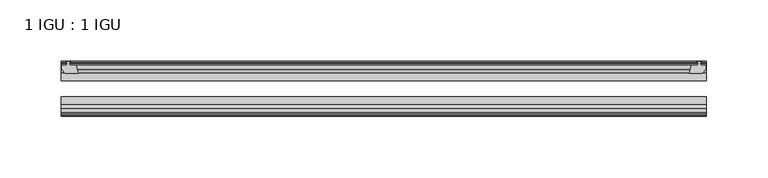
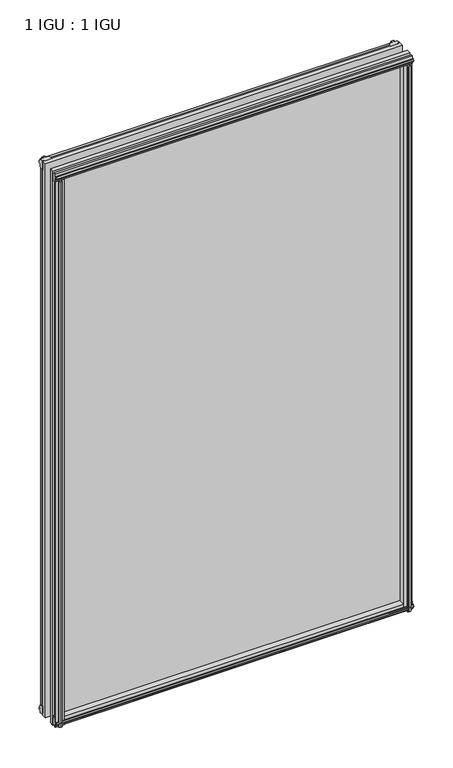
"""IFC4 building model written with IfcOpenShell, lengths in millimetres: plate geometry, 1 IGU : 1 IGU."""

from ifc_helpers import new_model, si_unit, frame, origin, place, context, project, spatial, polyline, outline, extrude, source, transform, mapped, element, save


def plate_1_igu_1_igu_53023c76(model_context):
    return source(origin(), model_context, "Body", "SweptSolid", [
        extrude(outline(polyline([(255.5181709, -10.4746158), (257.6957, -9.7670938), (259.8732291, -10.4746158), (259.8732291, -11.27583), (258.4577, -10.8158968), (258.8387, -13.1960938), (263.2837, -13.1960938), (263.2837, -16.1424938), (260.4493578, -19.5460938), (249.6279819, -19.5460938), (251.3457, -13.1960938), (256.5527, -13.1960938), (256.9337, -10.8158968), (255.5181709, -11.27583), (255.5181709, -10.4746158)])), frame((0.0, 0.0, -12.4587), z_axis=(0.0, 0.0, 1.0), x_axis=(1.0, 0.0, 0.0)), (0.0, 0.0, 1.0), 863.1174),
        extrude(outline(polyline([(-257.6957, -9.7670937), (-255.5181709, -10.4746158), (-255.5181709, -11.27583), (-256.9337, -10.8158968), (-256.5527, -13.1960937), (-251.3457, -13.1960937), (-249.6279819, -19.5460937), (-260.4493578, -19.5460937), (-263.2837, -16.1424937), (-263.2837, -13.1960937), (-258.8387, -13.1960937), (-258.4577, -10.8158968), (-259.8732291, -11.27583), (-259.8732291, -10.4746158), (-257.6957, -9.7670937)])), frame((0.0, 0.0, -12.4587), z_axis=(0.0, 0.0, 1.0), x_axis=(1.0, 0.0, 0.0)), (0.0, 0.0, 1.0), 863.1174),
        extrude(outline(polyline([(249.1105839, -44.9460938), (259.9319598, -44.9460938), (262.766302, -48.3496938), (262.766302, -51.2960938), (258.321302, -51.2960938), (257.940302, -53.6762907), (259.355831, -53.2163575), (259.355831, -54.0175717), (257.178302, -54.7250938), (255.0007729, -54.0175717), (255.0007729, -53.2163575), (256.416302, -53.6762907), (256.035302, -51.2960938), (250.828302, -51.2960938), (249.1105839, -44.9460938)])), frame((0.0, 0.0, -12.4587), z_axis=(0.0, 0.0, 1.0), x_axis=(1.0, 0.0, 0.0)), (0.0, 0.0, 1.0), 850.4174),
        extrude(outline(polyline([(-249.1072819, -44.9460937), (-250.825, -51.2960937), (-256.032, -51.2960937), (-256.413, -53.6762907), (-254.9974709, -53.2163575), (-254.9974709, -54.0175717), (-257.175, -54.7250937), (-259.3525291, -54.0175717), (-259.3525291, -53.2163575), (-257.937, -53.6762907), (-258.318, -51.2960937), (-262.763, -51.2960937), (-262.763, -48.3496937), (-259.9286578, -44.9460937), (-249.1072819, -44.9460937)])), frame((0.0, 0.0, -12.4587), z_axis=(0.0, 0.0, 1.0), x_axis=(1.0, 0.0, 0.0)), (0.0, 0.0, 1.0), 850.4174),
        extrude(outline(polyline([(-10.4746158, -4.6931709), (-9.7670937, -6.8707), (-10.4746158, -9.0482291), (-11.27583, -9.0482291), (-10.8158968, -7.6327), (-13.1960937, -8.0137), (-13.1960937, -12.4587), (-16.1424937, -12.4587), (-19.5460937, -9.6243578), (-19.5460937, 1.1970181), (-13.1960937, -0.5207), (-13.1960937, -5.7277), (-10.8158968, -6.1087), (-11.27583, -4.6931709), (-10.4746158, -4.6931709)])), frame((-263.525, 0.0, 0.0), z_axis=(1.0, 0.0, 0.0), x_axis=(0.0, 1.0, 0.0)), (0.0, 0.0, 1.0), 527.05),
        extrude(outline(polyline([(-44.9460937, 1.7177181), (-44.9460937, -9.1036578), (-48.3496937, -11.938), (-51.2960937, -11.938), (-51.2960937, -7.493), (-53.6762907, -7.112), (-53.2163575, -8.5275291), (-54.0175717, -8.5275291), (-54.7250937, -6.35), (-54.0175717, -4.1724709), (-53.2163575, -4.1724709), (-53.6762907, -5.588), (-51.2960937, -5.207), (-51.2960937, 0.0), (-44.9460937, 1.7177181)])), frame((-263.525, 0.0, 0.0), z_axis=(1.0, 0.0, 0.0), x_axis=(0.0, 1.0, 0.0)), (0.0, 0.0, 1.0), 527.05),
        extrude(outline(polyline([(-10.8158968, 845.8327), (-11.27583, 847.2482291), (-10.4746158, 847.2482291), (-9.7670937, 845.0707), (-10.4746158, 842.8931709), (-11.27583, 842.8931709), (-10.8158968, 844.3087), (-13.1960937, 843.9277), (-13.1960937, 838.7207), (-19.5460938, 837.0029819), (-19.5460938, 847.8243578), (-16.1424937, 850.6587), (-13.1960937, 850.6587), (-13.1960937, 846.2137), (-10.8158968, 845.8327)])), frame((-263.525, 0.0, 0.0), z_axis=(1.0, 0.0, 0.0), x_axis=(0.0, 1.0, 0.0)), (0.0, 0.0, 1.0), 527.05),
        extrude(outline(polyline([(-51.2960937, 850.138), (-48.3496937, 850.138), (-44.9460938, 847.3036578), (-44.9460938, 836.4822819), (-51.2960937, 838.2), (-51.2960937, 843.407), (-53.6762907, 843.788), (-53.2163575, 842.3724709), (-54.0175717, 842.3724709), (-54.7250937, 844.55), (-54.0175717, 846.7275291), (-53.2163575, 846.7275291), (-53.6762907, 845.312), (-51.2960937, 845.693), (-51.2960937, 850.138)])), frame((-263.525, 0.0, 0.0), z_axis=(1.0, 0.0, 0.0), x_axis=(0.0, 1.0, 0.0)), (0.0, 0.0, 1.0), 527.05),
        extrude(outline(polyline([(-263.525, -38.9186738), (263.525, -38.9186738), (263.525, -44.9460937), (-263.525, -44.9460937), (-263.525, -38.9186738)])), frame((0.0, 0.0, -12.7), z_axis=(0.0, 0.0, 1.0), x_axis=(1.0, 0.0, 0.0)), (0.0, 0.0, 1.0), 863.6),
        extrude(outline(polyline([(-263.525, -19.5460937), (263.525, -19.5460937), (263.525, -25.8960938), (-263.525, -25.8960938), (-263.525, -19.5460937)])), frame((0.0, 0.0, -12.7), z_axis=(0.0, 0.0, 1.0), x_axis=(1.0, 0.0, 0.0)), (0.0, 0.0, 1.0), 863.6),
    ])


if __name__ == "__main__":
    model = new_model("IFC4")
    model_context = context("Model", 3, world=origin())
    ifc_project = project(units=[si_unit("LENGTHUNIT", "METRE", prefix="MILLI")], contexts=[model_context])
    site = spatial("IfcSite", under=ifc_project)
    building = spatial("IfcBuilding", under=site)
    placement = place(None, origin())
    plate_1_igu_1_igu_shape = plate_1_igu_1_igu_53023c76(model_context)
    element("IfcPlate", 1, ObjectType="1 IGU : 1 IGU", at=placement, inside=building, context=model_context, shape_type="MappedRepresentation", body=[
        mapped(plate_1_igu_1_igu_shape, transform((0.0, 0.0, 0.0), x_axis=(1.0, 0.0, 0.0), y_axis=(0.0, 1.0, 0.0), z_axis=(0.0, 0.0, 1.0))),
    ])
    save(model, "model.ifc")
